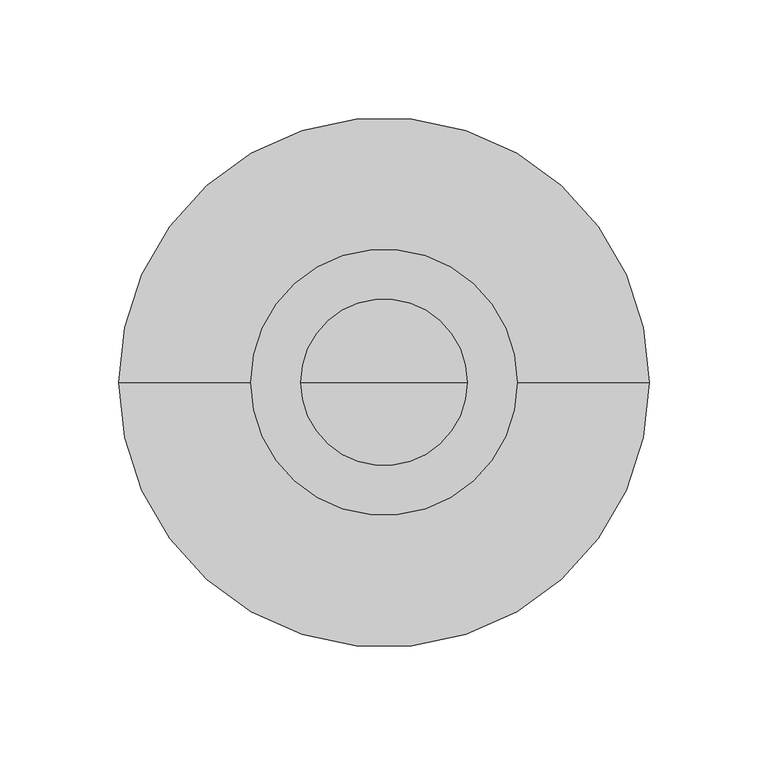
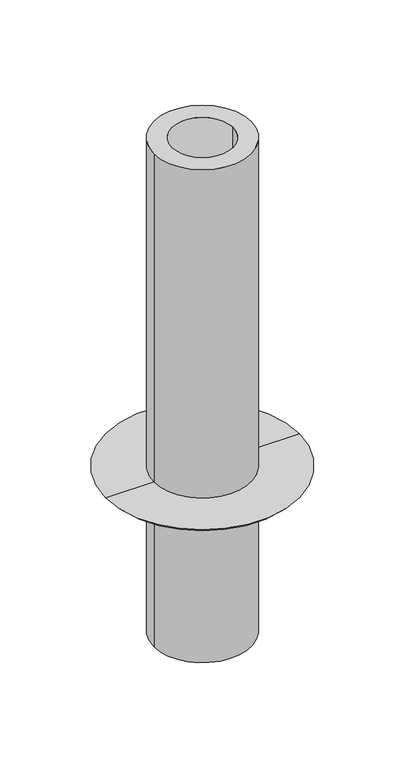
"""IFC4 building model written with IfcOpenShell, lengths in millimetres: proxy geometry."""

from ifc_helpers import new_model, si_unit, point, frame, frame_2d, origin, place, context, project, spatial, circle_curve, ellipse_curve, trimmed, segment, composite_curve, outline, extrude, source, transform, mapped, element, save
from ifc_brep_helpers import plane_surface, revolved_surface, advanced_brep


def specialty_equipment_1074f96c(model_context):
    return source(origin(), model_context, "Body", "SolidModel", [
        extrude(outline(composite_curve([segment(trimmed(circle_curve(frame_2d((0.0, -0.0039063)), 56.0), [point((56.0, -0.0039063))], [point((-56.0, -0.0039063))], False, "CARTESIAN"), True, "CONTINUOUS"), segment(trimmed(circle_curve(frame_2d((0.0, -0.0039063)), 56.0), [point((-56.0, -0.0039063))], [point((56.0, -0.0039063))], False, "CARTESIAN"), True, "CONTINUOUS")], self_intersect=False), holes=[composite_curve([segment(trimmed(circle_curve(frame_2d((0.0, -0.0039063)), 35.0), [point((35.0, -0.0039063))], [point((-35.0, -0.0039063))], True, "CARTESIAN"), True, "CONTINUOUS"), segment(trimmed(circle_curve(frame_2d((0.0, -0.0039063)), 35.0), [point((-35.0, -0.0039063))], [point((35.0, -0.0039063))], True, "CARTESIAN"), True, "CONTINUOUS")], self_intersect=False)]), frame((0.0, 0.0, 2699.6820493), z_axis=(0.0, 0.0, 1.0), x_axis=(1.0, 0.0, 0.0)), (0.0, 0.0, 1.0), 600.0),
        advanced_brep(
        [(111.517182, 0.0, 2900.3179507), (-111.517182, 0.0, 2900.3179507), (0.0, 0.0, 2900.3179507), (81.5375235, 0.0, 2886.8179507), (-81.5375235, 0.0, 2886.8179507), (0.0, 0.0, 2886.8179507)],
        [
            (0, 1, circle_curve(frame((0.0, 0.0, 2900.3179507), z_axis=(0.0, 0.0, 1.0), x_axis=(-1.0, 0.0, 0.0)), 111.517182)),
            (1, 2),
            (2, 0),
            (1, 0, circle_curve(frame((0.0, 0.0, 2900.3179507), z_axis=(0.0, 0.0, 1.0), x_axis=(-1.0, 0.0, 0.0)), 111.517182)),
            (3, 4, circle_curve(frame((0.0, 0.0, 2886.8179507), z_axis=(0.0, 0.0, 1.0), x_axis=(-1.0, 0.0, 0.0)), 81.5375235)),
            (4, 1, circle_curve(frame((-81.5375235, 0.0, 2926.8560961), z_axis=(0.0, 1.0, 0.0), x_axis=(-1.0, 0.0, 0.0)), 40.0381454)),
            (0, 3, circle_curve(frame((81.5375235, 0.0, 2926.8560961), z_axis=(0.0, 1.0, 0.0), x_axis=(1.0, 0.0, 0.0)), 40.0381454)),
            (4, 3, circle_curve(frame((0.0, 0.0, 2886.8179507), z_axis=(0.0, 0.0, 1.0), x_axis=(-1.0, 0.0, 0.0)), 81.5375235)),
            (5, 4),
            (3, 5),
        ],
        [
            plane_surface(frame((0.0, 0.0, 2900.3179507), z_axis=(0.0, 0.0, 1.0), x_axis=(-1.0, 0.0, 0.0))),
            revolved_surface(trimmed(ellipse_curve(frame((-81.5375235, 0.0, 2926.8560961), z_axis=(0.0, -1.0, 0.0), x_axis=(-1.0, 0.0, 0.0)), 40.0381454, 40.0381454), [point((-111.517182, 0.0, 2900.3179507))], [point((-81.5375235, 0.0, 2886.8179507))], True, "CARTESIAN"), (0.0, 0.0, 2900.3179507), (0.0, 0.0, -1.0)),
            plane_surface(frame((0.0, 0.0, 2886.8179507), z_axis=(0.0, 0.0, -1.0), x_axis=(-1.0, 0.0, 0.0))),
        ],
        [
            (0, [[1, 2, 3]]),
            (0, [[4, -3, -2]]),
            (1, [[5, 6, -1, 7]]),
            (1, [[8, -7, -4, -6]]),
            (2, [[9, -5, 10]]),
            (2, [[-10, -8, -9]]),
        ],
    ),
    ])


if __name__ == "__main__":
    model = new_model("IFC4")
    model_context = context("Model", 3, world=origin())
    ifc_project = project(units=[si_unit("LENGTHUNIT", "METRE", prefix="MILLI")], contexts=[model_context])
    site = spatial("IfcSite", under=ifc_project)
    building = spatial("IfcBuilding", under=site)
    placement = place(None, origin())
    specialty_equipment_shape = specialty_equipment_1074f96c(model_context)
    element("IfcBuildingElementProxy", 1, Name="Specialty Equipment", at=placement, inside=building, context=model_context, shape_type="MappedRepresentation", body=[
        mapped(specialty_equipment_shape, transform((0.0, 0.0, 0.0), x_axis=(1.0, 0.0, 0.0), y_axis=(0.0, 1.0, 0.0), z_axis=(0.0, 0.0, 1.0))),
    ])
    save(model, "model.ifc")
